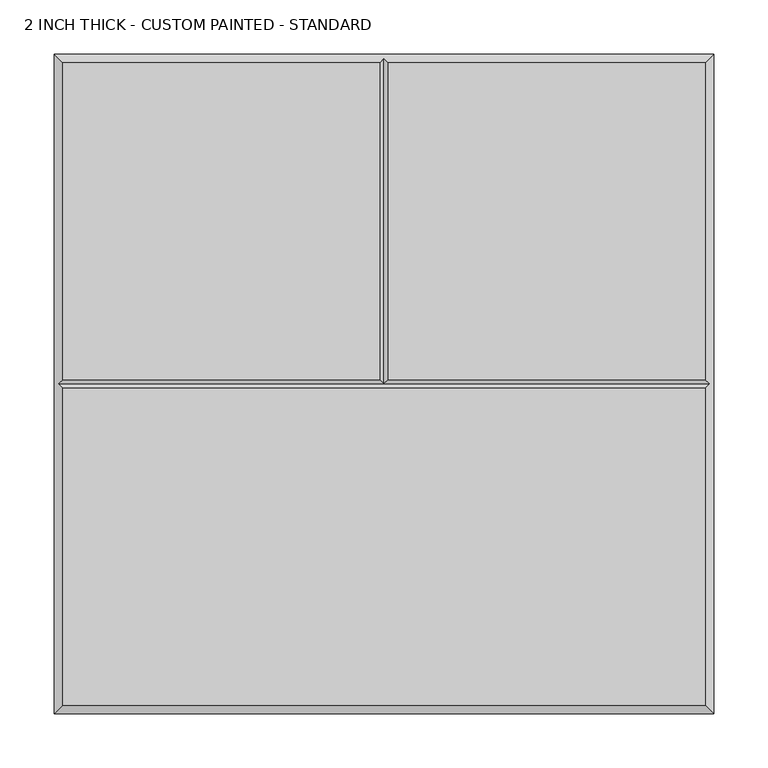
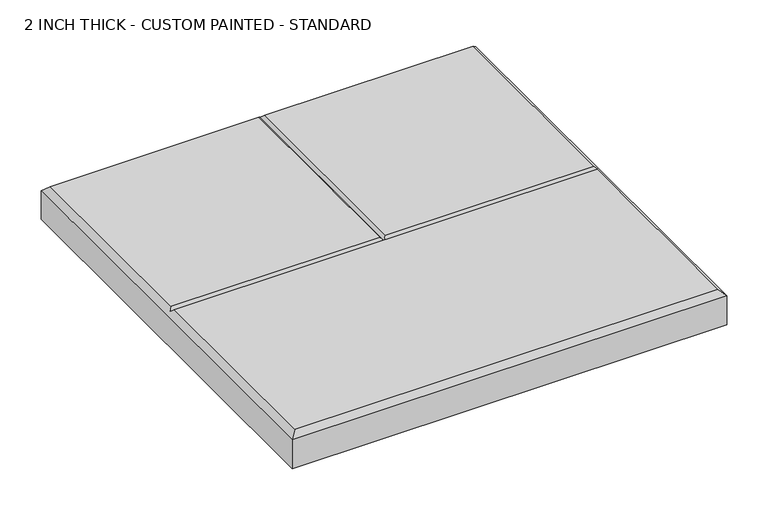
"""IFC4 building model written with IfcOpenShell, lengths in millimetres: proxy geometry, 2 INCH THICK - CUSTOM PAINTED - STANDARD."""

from ifc_helpers import new_model, si_unit, origin, place, context, project, spatial, faceted_brep, source, transform, mapped, element, save


def proxy_2_inch_thick_custom_painted_standard_b61aafbf(model_context):
    return source(origin(), model_context, "Body", "Brep", [
        faceted_brep([(-296.799, -296.799, 50.8), (296.799, -296.799, 50.8), (296.799, -4.0005127, 50.8), (-296.799, -4.0005127, 50.8), (-296.799, 296.799, 50.8), (-296.799, 4.0004873, 50.8), (-4.0005, 4.0004873, 50.8), (-4.0005, 296.799, 50.8), (296.799, 4.0004873, 50.8), (296.799, 296.799, 50.8), (4.0005, 296.799, 50.8), (4.0005, 4.0004873, 50.8), (-304.8, 304.8, 0.0), (304.8, 304.8, 0.0), (304.8, -304.8, 0.0), (-304.8, -304.8, 0.0), (-304.8, -304.8, 42.799), (-304.8, 304.8, 42.799), (304.8, -304.8, 42.799), (304.8, 304.8, 42.799), (0.0, 300.7995, 46.7995), (-300.7995, -1.27e-05, 46.7995), (300.7995, -1.27e-05, 46.7995), (0.0, -1.27e-05, 46.7995)], [[[0, 1, 2, 3]], [[4, 5, 6, 7]], [[8, 9, 10, 11]], [[12, 13, 14, 15]], [[12, 15, 16, 17]], [[15, 14, 18, 16]], [[14, 13, 19, 18]], [[13, 12, 17, 19]], [[17, 4, 7, 20, 10, 9, 19]], [[4, 17, 16, 0, 3, 21, 5]], [[0, 16, 18, 1]], [[19, 9, 8, 22, 2, 1, 18]], [[5, 21, 23, 6]], [[22, 8, 11, 23]], [[3, 2, 22, 23, 21]], [[20, 23, 11, 10]], [[23, 20, 7, 6]]]),
    ])


if __name__ == "__main__":
    model = new_model("IFC4")
    model_context = context("Model", 3, world=origin())
    ifc_project = project(units=[si_unit("LENGTHUNIT", "METRE", prefix="MILLI")], contexts=[model_context])
    site = spatial("IfcSite", under=ifc_project)
    building = spatial("IfcBuilding", under=site)
    placement = place(None, origin())
    proxy_2_inch_thick_custom_painted_standard_shape = proxy_2_inch_thick_custom_painted_standard_b61aafbf(model_context)
    element("IfcBuildingElementProxy", 1, Name="2 INCH THICK - CUSTOM PAINTED - STANDARD", ObjectType="2 INCH THICK - CUSTOM PAINTED - STANDARD", at=placement, inside=building, context=model_context, shape_type="MappedRepresentation", body=[
        mapped(proxy_2_inch_thick_custom_painted_standard_shape, transform((0.0, 0.0, 0.0), x_axis=(1.0, 0.0, 0.0), y_axis=(0.0, 1.0, 0.0), z_axis=(0.0, 0.0, 1.0))),
    ])
    save(model, "model.ifc")
